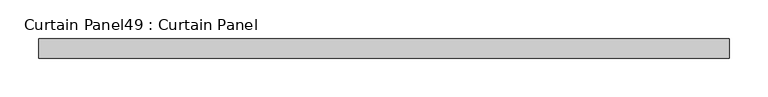
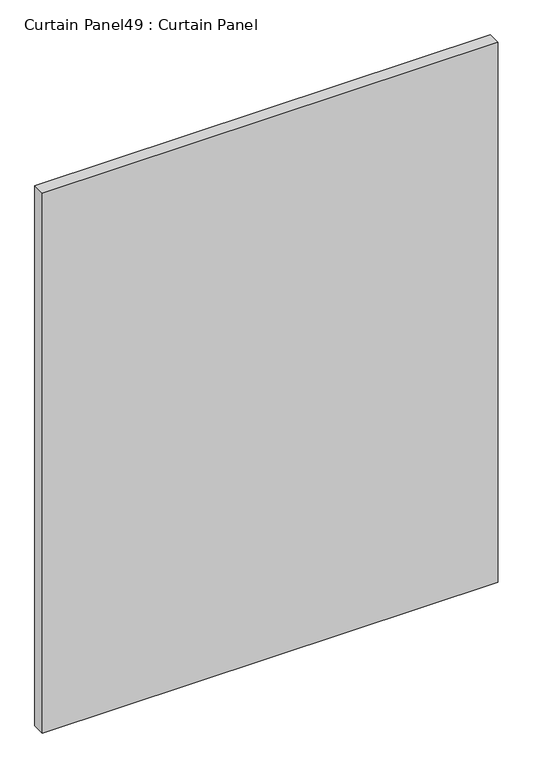
"""IFC4 building model written with IfcOpenShell, lengths in millimetres: plate geometry, Curtain Panel49 : Curtain Panel."""

from ifc_helpers import new_model, si_unit, frame, origin, place, context, project, spatial, polyline, outline, extrude, source, transform, mapped, element, save


def curtain_panel49_curtain_panel_220a8339(model_context):
    return source(origin(), model_context, "Body", "SweptSolid", [
        extrude(outline(polyline([(-41904.5811382, -3859.9631042), (-42799.9309118, -3859.9631042), (-42799.9309118, -3834.5631042), (-41904.5811382, -3834.5631042), (-41904.5811382, -3859.9631042)])), frame((0.0, 0.0, 57.2936733), z_axis=(0.0, 0.0, 1.0), x_axis=(1.0, 0.0, 0.0)), (0.0, 0.0, 1.0), 1120.5876704),
    ])


if __name__ == "__main__":
    model = new_model("IFC4")
    model_context = context("Model", 3, world=origin())
    ifc_project = project(units=[si_unit("LENGTHUNIT", "METRE", prefix="MILLI")], contexts=[model_context])
    site = spatial("IfcSite", under=ifc_project)
    building = spatial("IfcBuilding", under=site)
    placement = place(None, origin())
    curtain_panel49_curtain_panel_shape = curtain_panel49_curtain_panel_220a8339(model_context)
    element("IfcPlate", 1, ObjectType="Curtain Panel49 : Curtain Panel", at=placement, inside=building, context=model_context, shape_type="MappedRepresentation", body=[
        mapped(curtain_panel49_curtain_panel_shape, transform((0.0, 0.0, 0.0), x_axis=(1.0, 0.0, 0.0), y_axis=(0.0, 1.0, 0.0), z_axis=(0.0, 0.0, 1.0))),
    ])
    save(model, "model.ifc")
